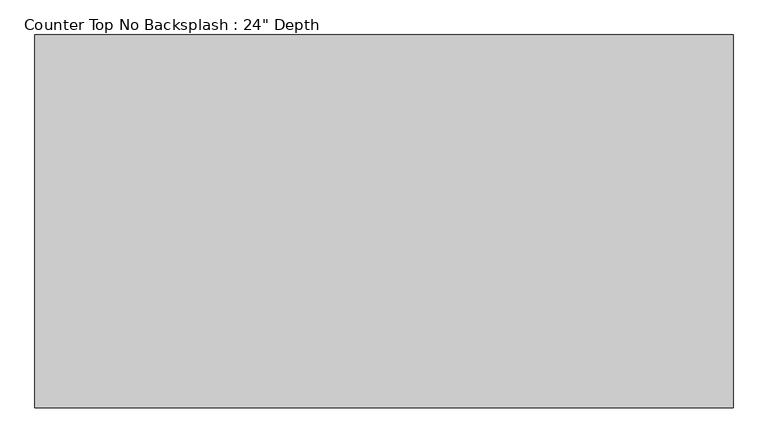
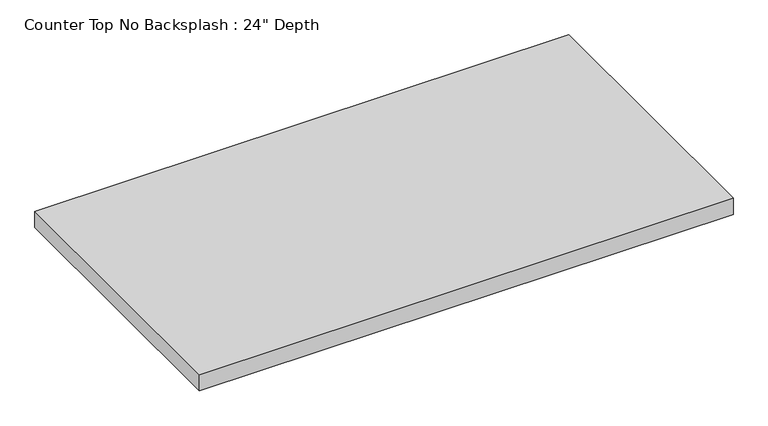
"""IFC4 building model written with IfcOpenShell, lengths in millimetres: furniture geometry."""

from ifc_helpers import new_model, si_unit, frame, origin, place, context, project, spatial, polyline, outline, extrude, source, transform, mapped, element, save


def furniture_7180b261(model_context):
    return source(origin(), model_context, "Body", "SweptSolid", [
        extrude(outline(polyline([(-11.0936288, 0.0), (-11.0936288, -635.0), (-1200.4622951, -635.0), (-1200.4622951, 0.0), (-11.0936288, 0.0)])), frame((0.0, 0.0, 876.3), z_axis=(0.0, 0.0, 1.0), x_axis=(1.0, 0.0, 0.0)), (0.0, 0.0, 1.0), 38.1),
    ])


if __name__ == "__main__":
    model = new_model("IFC4")
    model_context = context("Model", 3, world=origin())
    ifc_project = project(units=[si_unit("LENGTHUNIT", "METRE", prefix="MILLI")], contexts=[model_context])
    site = spatial("IfcSite", under=ifc_project)
    building = spatial("IfcBuilding", under=site)
    placement = place(None, origin())
    furniture_shape = furniture_7180b261(model_context)
    element("IfcFurniture", 1, ObjectType="Counter Top No Backsplash : 24\" Depth", at=placement, inside=building, context=model_context, shape_type="MappedRepresentation", body=[
        mapped(furniture_shape, transform((0.0, 0.0, 0.0), x_axis=(1.0, 0.0, 0.0), y_axis=(0.0, 1.0, 0.0), z_axis=(0.0, 0.0, 1.0))),
    ])
    save(model, "model.ifc")
